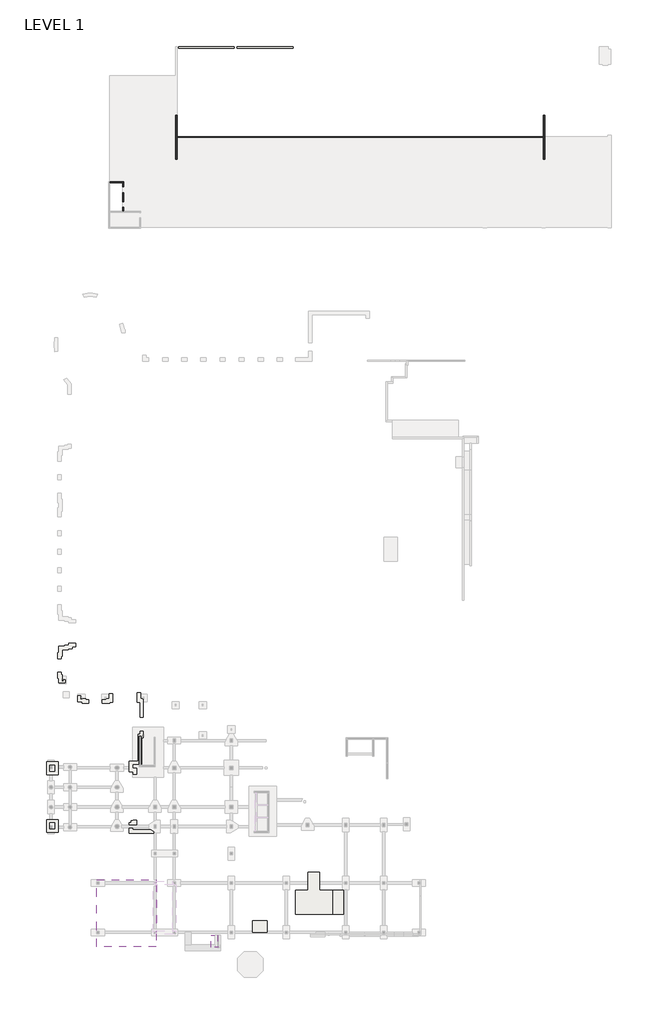
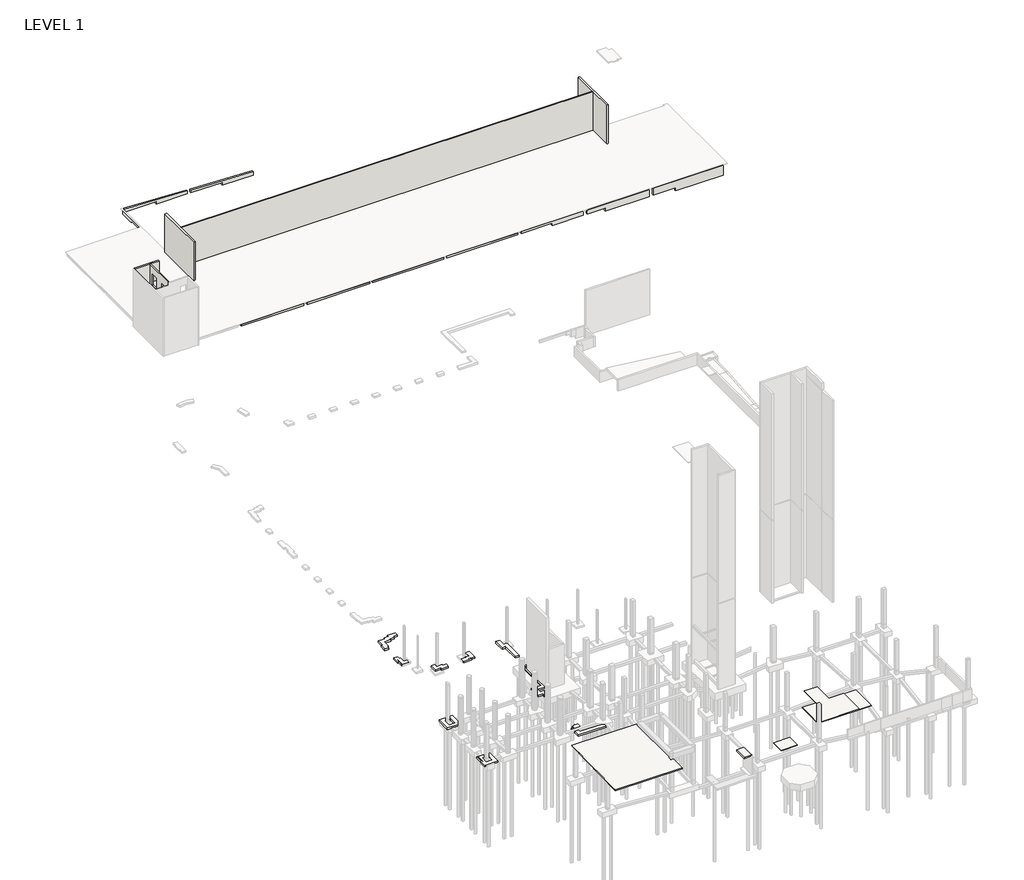
# One storey, part 2 of 20: 16 walls, 7 slabs.
"""IFC4 building model written with IfcOpenShell, lengths in millimetres."""

import ifcopenshell
import ifcopenshell.guid

model = None  # the IFC model being written
_history = None  # IfcOwnerHistory: only IFC2X3 demands one
_inside = {}  # id of a spatial element -> (the spatial element, [elements in it])
_under = {}  # id of a project, library or spatial element -> (it, [spatial elements below it])
_declared = {}  # id of a project -> (the project, [libraries it declares])
_typed = {}  # id of a type object -> (the type object, [elements of that type])
_made_of = {}  # id of a material, layer set ... -> (it, [elements and type objects made of it])


def new_model(schema):
    """Start an empty IFC model of exactly this schema.

    Asked for "IFC4X3", IfcOpenShell would pick the latest addendum, in which some entities
    have other attributes; the version numbers below select the first issue.
    IFC2X3 requires an IfcOwnerHistory on every rooted entity: one is made here for all.
    """
    global model, _history
    if schema == "IFC4X3":
        model = ifcopenshell.file(schema_version=(4, 3, 0, 0))
    else:
        model = ifcopenshell.file(schema=schema)
    _inside.clear()
    _under.clear()
    _declared.clear()
    _typed.clear()
    _made_of.clear()
    _history = None
    if model.schema == "IFC2X3":
        org = make("IfcOrganization", Name="unknown")
        user = make(
            "IfcPersonAndOrganization",
            ThePerson=make("IfcPerson", FamilyName="unknown"),
            TheOrganization=org,
        )
        app = make(
            "IfcApplication",
            ApplicationDeveloper=org,
            Version="unknown",
            ApplicationFullName="unknown",
            ApplicationIdentifier="unknown",
        )
        _history = make(
            "IfcOwnerHistory",
            OwningUser=user,
            OwningApplication=app,
            ChangeAction="ADDED",
            CreationDate=0,
        )
    return model


def make(cls, **values):
    """One entity of the class cls with the attributes given. An attribute that is None is left unset."""
    return model.create_entity(
        cls, **{name: value for name, value in values.items() if value is not None}
    )


def rooted(cls, **values):
    """An entity with a GlobalId (a new one), such as an element, a storey or a relation."""
    return make(cls, GlobalId=ifcopenshell.guid.new(), OwnerHistory=_history, **values)


def si_unit(unit_type, name, prefix=None):
    """IfcSIUnit, for example si_unit("LENGTHUNIT", "METRE", prefix="MILLI")."""
    return make("IfcSIUnit", UnitType=unit_type, Prefix=prefix, Name=name)


def assignment(units):
    """IfcUnitAssignment: the units of a project."""
    return None if units is None else make("IfcUnitAssignment", Units=units)


def point(xyz):
    """IfcCartesianPoint."""
    return None if xyz is None else make("IfcCartesianPoint", Coordinates=xyz)


def direction(xyz):
    """IfcDirection."""
    return None if xyz is None else make("IfcDirection", DirectionRatios=xyz)


def frame(location, z_axis=None, x_axis=None):
    """IfcAxis2Placement3D, a coordinate frame: its origin and axes. An axis left out is left unset."""
    return make(
        "IfcAxis2Placement3D",
        Location=point(location),
        Axis=direction(z_axis),
        RefDirection=direction(x_axis),
    )


def origin():
    """The frame at (0, 0, 0) with its axes left unset."""
    return frame((0.0, 0.0, 0.0))


def place(relative_to, where):
    """IfcLocalPlacement: puts the frame where relative to a parent placement (None: the world)."""
    return make(
        "IfcLocalPlacement", PlacementRelTo=relative_to, RelativePlacement=where
    )


def context(
    kind, dimensions, precision=None, world=None, true_north=None, identifier=None
):
    """IfcGeometricRepresentationContext, for example the 3D "Model" context."""
    return make(
        "IfcGeometricRepresentationContext",
        ContextIdentifier=identifier,
        ContextType=kind,
        CoordinateSpaceDimension=dimensions,
        Precision=precision,
        WorldCoordinateSystem=world,
        TrueNorth=true_north,
    )


def project(units=None, contexts=None):
    """IfcProject with its units and contexts."""
    return rooted(
        "IfcProject",
        Name="project",
        RepresentationContexts=contexts,
        UnitsInContext=assignment(units),
    )


def spatial(cls, under=None, at=None, **own):
    """A site, building, storey or space (cls), placed at a placement, below another one or the project."""
    s = rooted(cls, ObjectPlacement=at, **own)
    if under is not None:
        _under.setdefault(under.id(), (under, []))[1].append(s)
    return s


def polyline(points):
    """IfcPolyline through the points."""
    return make("IfcPolyline", Points=[point(p) for p in points])


def outline(outer, holes=None, kind="AREA"):
    """IfcArbitraryClosedProfileDef: a profile drawn as a closed curve; with holes, ...WithVoids."""
    if holes is None:
        return make("IfcArbitraryClosedProfileDef", ProfileType=kind, OuterCurve=outer)
    return make(
        "IfcArbitraryProfileDefWithVoids",
        ProfileType=kind,
        OuterCurve=outer,
        InnerCurves=holes,
    )


def extrude(swept, where, along, depth):
    """IfcExtrudedAreaSolid: the profile swept, set in the frame where, extruded along a direction by depth."""
    return make(
        "IfcExtrudedAreaSolid",
        SweptArea=swept,
        Position=where,
        ExtrudedDirection=direction(along),
        Depth=depth,
    )


def faces_of(points, faces, orient=None, outer=None):
    """IfcFace entities. A face is a list of loops; a loop is a list of indices into points, from 0.

    orient and outer hold one flag for each loop. By default every Orientation is true, the
    first loop of a face is its IfcFaceOuterBound and the others are IfcFaceBound.
    """
    made = []
    for i, loops in enumerate(faces):
        bounds = []
        for j, loop in enumerate(loops):
            is_outer = j == 0 if outer is None else outer[i][j]
            bounds.append(
                make(
                    "IfcFaceOuterBound" if is_outer else "IfcFaceBound",
                    Bound=make("IfcPolyLoop", Polygon=[points[k] for k in loop]),
                    Orientation=True if orient is None else orient[i][j],
                )
            )
        made.append(make("IfcFace", Bounds=bounds))
    return made


def faceted_brep(points, faces, orient=None, outer=None, voids=None):
    """IfcFacetedBrep: a solid bounded by flat faces; with voids (closed shells), ...WithVoids."""
    shared = [point(p) for p in points]
    hull = make("IfcClosedShell", CfsFaces=faces_of(shared, faces, orient, outer))
    if voids is None:
        return make("IfcFacetedBrep", Outer=hull)
    return make(
        "IfcFacetedBrepWithVoids",
        Outer=hull,
        Voids=[
            make(cls, CfsFaces=faces_of(shared, fs, o, b)) for cls, fs, o, b in voids
        ],
    )


def shape(context_of_items, identifier, shape_type, items):
    """IfcShapeRepresentation: the items that make up one representation, for example the "Body"."""
    return make(
        "IfcShapeRepresentation",
        ContextOfItems=context_of_items,
        RepresentationIdentifier=identifier,
        RepresentationType=shape_type,
        Items=items,
    )


def made_of(thing, what):
    """Note that an element or type object is made of a material, layer set ...; save() writes the relation."""
    if what is not None:
        _made_of.setdefault(what.id(), (what, []))[1].append(thing)
    return thing


def element(
    cls,
    number,
    at=None,
    inside=None,
    cuts=None,
    type_object=None,
    material=None,
    context=None,
    identifier="Body",
    shape_type=None,
    held_by="IfcProductDefinitionShape",
    body=None,
    shapes=None,
    **own,
):
    """One element of the class cls, such as IfcWall. Its Tag is "e" and its number.

    at: its placement. inside: the storey or other place that contains it. cuts: it is an
    opening in that element (IfcRelVoidsElement). A single representation is given by context,
    identifier, shape_type and body (its items); several are given by shapes. held_by: the class
    of the entity that holds the representations. save() writes the other relations.
    """
    e = rooted(cls, Tag="e%d" % number, ObjectPlacement=at, **own)
    if body is not None:
        shapes = [shape(context, identifier, shape_type, body)]
    if shapes is not None:
        e.Representation = make(held_by, Representations=shapes)
    if inside is not None:
        _inside.setdefault(inside.id(), (inside, []))[1].append(e)
    if cuts is not None:
        rooted(
            "IfcRelVoidsElement", RelatingBuildingElement=cuts, RelatedOpeningElement=e
        )
    if type_object is not None:
        _typed.setdefault(type_object.id(), (type_object, []))[1].append(e)
    return made_of(e, material)


def aggregate(whole, parts):
    """IfcRelAggregates: a whole, such as a stair, and the parts it consists of."""
    return rooted("IfcRelAggregates", RelatingObject=whole, RelatedObjects=parts)


def save(model, path):
    """Write the relations noted so far, then the file.

    IfcRelAggregates (storeys below a building ...), IfcRelContainedInSpatialStructure (elements
    in a storey), IfcRelDefinesByType, IfcRelAssociatesMaterial and IfcRelDeclares: one each for
    every whole, place, type object, material and project.
    """
    for whole, parts in _under.values():
        aggregate(whole, parts)
    for where, things in _inside.values():
        rooted(
            "IfcRelContainedInSpatialStructure",
            RelatedElements=things,
            RelatingStructure=where,
        )
    for kind, things in _typed.values():
        rooted("IfcRelDefinesByType", RelatedObjects=things, RelatingType=kind)
    for what, things in _made_of.values():
        rooted("IfcRelAssociatesMaterial", RelatedObjects=things, RelatingMaterial=what)
    for by, libraries in _declared.values():
        rooted("IfcRelDeclares", RelatingContext=by, RelatedDefinitions=libraries)
    model.write(path)


model = new_model("IFC4")

# Units and contexts
model_context = context("Model", 3, world=origin())
ifc_project = project(units=[si_unit("LENGTHUNIT", "METRE", prefix="MILLI")], contexts=[model_context])

# Site, building, storey
site = spatial("IfcSite", under=ifc_project)
building = spatial("IfcBuilding", under=site)
storey = spatial("IfcBuildingStorey", under=building, Name="LEVEL 1", Elevation=0.0)

# Slabs
placement = place(None, origin())
element("IfcSlab", 1, ObjectType="10\" Concrete", at=placement, inside=storey, context=model_context, shape_type="Brep", body=[
    faceted_brep([(20552.6924811, -58530.0704906, 3124.2), (20552.6924811, -56088.5107149, 3124.2), (21882.2910965, -56088.5107149, 3124.2), (21882.2910965, -58520.5454906, 3124.2), (22000.4924811, -58520.5454906, 3124.2), (22000.4924811, -58530.0704906, 3124.2), (20552.6924811, -56088.5107149, 3378.2), (20552.6924811, -58530.0704906, 3378.2), (22000.4924811, -58530.0704906, 3378.2), (22000.4924811, -58520.5454906, 3378.2), (21863.2410965, -58520.5454906, 3378.2), (21863.2410965, -56088.5107149, 3378.2), (21882.2910965, -56088.5107149, 3200.4), (21882.2910965, -58520.5454906, 3200.4)], [[[0, 1, 2, 3, 4, 5]], [[6, 7, 8, 9, 10, 11]], [[1, 0, 7, 6]], [[1, 6, 11, 12, 2]], [[8, 5, 4, 9]], [[0, 5, 8, 7]], [[10, 13, 12, 11]], [[12, 13, 3, 2]], [[13, 10, 9, 4, 3]]]),
])
element("IfcSlab", 2, ObjectType="12\" Concrete", at=placement, inside=storey, context=model_context, shape_type="Brep", body=[
    faceted_brep([(8633.3389942, -34180.9810305, -914.4), (8633.3389942, -34892.1810305, -914.4), (3489.8389942, -34892.1810305, -914.4), (3489.8389942, -32656.9810305, -914.4), (3910.6232786, -32656.9810305, -914.4), (3910.6232786, -32263.4083235, -914.4), (4302.6389942, -32263.4083235, -914.4), (4302.6389942, -32148.9810305, -914.4), (5013.8389942, -32148.9810305, -914.4), (5013.8389942, -33368.1810305, -914.4), (4201.0389942, -33368.1810305, -914.4), (4201.0389942, -34180.9810305, -914.4), (8633.3389942, -34180.9810305, -609.6), (4201.0389942, -34180.9810305, -609.6), (4201.0389942, -33711.1107149, -609.6), (4201.0389942, -33368.1810305, -609.6), (5013.8389942, -33368.1810305, -609.6), (5013.8389942, -33253.9107149, -609.6), (5013.8389942, -32148.9810305, -609.6), (4302.6389942, -32148.9810305, -609.6), (4302.6389942, -32263.4083235, -609.6), (3910.6232786, -32263.4083235, -609.6), (3910.6232786, -32656.9810305, -609.6), (3489.8389942, -32656.9810305, -609.6), (3489.8389942, -33253.9107149, -609.6), (3489.8389942, -33711.1107149, -609.6), (3489.8389942, -34892.1810305, -609.6), (8633.3389942, -34892.1810305, -609.6), (4201.0389942, -33368.1810305, -830.2694562), (5013.8389942, -33368.1810305, -813.4886495)], [[[0, 1, 2, 3, 4, 5, 6, 7, 8, 9, 10, 11]], [[12, 13, 14, 15, 16, 17, 18, 19, 20, 21, 22, 23, 24, 25, 26, 27]], [[1, 0, 12, 27]], [[2, 1, 27, 26]], [[3, 2, 26, 25, 24, 23]], [[8, 7, 19, 18]], [[11, 10, 28, 15, 14, 13]], [[0, 11, 13, 12]], [[4, 3, 23, 22]], [[5, 4, 22, 21]], [[6, 5, 21, 20]], [[7, 6, 20, 19]], [[9, 8, 18, 17, 16, 29]], [[10, 9, 29, 16, 15, 28]]]),
    faceted_brep([(4302.6389942, -22116.0403994, -914.4), (3489.8389942, -22116.0403994, -914.4), (3489.8389942, -21519.1107149, -914.4), (3489.8389942, -21061.9107149, -914.4), (3489.8389942, -19880.8403994, -914.4), (5318.6389942, -19880.8403994, -914.4), (5318.6389942, -14286.4607149, -914.4), (5725.0389942, -14286.4607149, -914.4), (5725.0389942, -13683.2107149, -914.4), (6436.2389942, -13683.2107149, -914.4), (6436.2389942, -14997.6607149, -914.4), (6029.8389942, -14997.6607149, -914.4), (6029.8389942, -20592.0403994, -914.4), (4201.0389942, -20592.0403994, -914.4), (4201.0389942, -21404.8403994, -914.4), (5013.8389942, -21404.8403994, -914.4), (5013.8389942, -22623.9810305, -914.4), (4302.6389942, -22623.9810305, -914.4), (4302.6389942, -22116.0403994, -609.6), (4302.6389942, -22623.9810305, -609.6), (5013.8389942, -22623.9810305, -609.6), (5013.8389942, -21404.8403994, -609.6), (4201.0389942, -21404.8403994, -609.6), (4201.0389942, -20592.0403994, -609.6), (6029.8389942, -20592.0403994, -609.6), (6029.8389942, -14997.6607149, -609.6), (6436.2389942, -14997.6607149, -609.6), (6436.2389942, -13683.2107149, -609.6), (5725.0389942, -13683.2107149, -609.6), (5725.0389942, -14286.4607149, -609.6), (5318.6389942, -14286.4607149, -609.6), (5318.6389942, -19880.8403994, -609.6), (3489.8389942, -19880.8403994, -609.6), (3489.8389942, -22116.0403994, -609.6)], [[[0, 1, 2, 3, 4, 5, 6, 7, 8, 9, 10, 11, 12, 13, 14, 15, 16, 17]], [[18, 19, 20, 21, 22, 23, 24, 25, 26, 27, 28, 29, 30, 31, 32, 33]], [[1, 0, 18, 33]], [[4, 3, 2, 1, 33, 32]], [[5, 4, 32, 31]], [[6, 5, 31, 30]], [[7, 6, 30, 29]], [[8, 7, 29, 28]], [[9, 8, 28, 27]], [[10, 9, 27, 26]], [[11, 10, 26, 25]], [[12, 11, 25, 24]], [[13, 12, 24, 23]], [[14, 13, 23, 22]], [[15, 14, 22, 21]], [[16, 15, 21, 20]], [[17, 16, 20, 19]], [[0, 17, 19, 18]]]),
    faceted_brep([(-2098.1610058, -7828.4735059, -914.4), (-2098.1610058, -7117.2735059, -914.4), (-1285.3610058, -7117.2735059, -914.4), (-1285.3610058, -6914.0735059, -914.4), (-675.7610058, -6914.0735059, -914.4), (-675.7610058, -5929.8235059, -914.4), (35.4389942, -5929.8235059, -914.4), (35.4389942, -7625.2735059, -914.4), (-574.1610058, -7625.2735059, -914.4), (-574.1610058, -7828.4735059, -914.4), (-2098.1610058, -7828.4735059, -609.6), (-574.1610058, -7828.4735059, -609.6), (-574.1610058, -7625.2735059, -609.6), (35.4389942, -7625.2735059, -609.6), (35.4389942, -5929.8235059, -609.6), (-675.7610058, -5929.8235059, -609.6), (-675.7610058, -6914.0735059, -609.6), (-1285.3610058, -6914.0735059, -609.6), (-1285.3610058, -7117.2735059, -609.6), (-2098.1610058, -7117.2735059, -609.6)], [[[0, 1, 2, 3, 4, 5, 6, 7, 8, 9]], [[10, 11, 12, 13, 14, 15, 16, 17, 18, 19]], [[1, 0, 10, 19]], [[2, 1, 19, 18]], [[0, 9, 11, 10]], [[3, 2, 18, 17]], [[4, 3, 17, 16]], [[5, 4, 16, 15]], [[6, 5, 15, 14]], [[7, 6, 14, 13]], [[8, 7, 13, 12]], [[9, 8, 12, 11]]]),
    faceted_brep([(-4942.9610058, -7828.5259393, -914.4), (-6253.1246506, -7828.5259393, -914.4), (-6253.1246506, -7612.6259393, -914.4), (-7269.1246506, -7612.6259393, -914.4), (-7269.1246506, -6342.5824121, -914.4), (-6557.9246506, -6342.5824121, -914.4), (-6557.9246506, -6901.4259393, -914.4), (-5541.9246506, -6901.4259393, -914.4), (-5541.9246506, -7117.3259393, -914.4), (-4942.9610058, -7117.3259393, -914.4), (-4942.9610058, -7828.5259393, -609.6), (-4942.9610058, -7117.3259393, -609.6), (-5541.9246506, -7117.3259393, -609.6), (-5541.9246506, -6901.4259393, -609.6), (-6557.9246506, -6901.4259393, -609.6), (-6557.9246506, -6342.5824121, -609.6), (-7269.1246506, -6342.5824121, -609.6), (-7269.1246506, -7612.6259393, -609.6), (-6253.1246506, -7612.6259393, -609.6), (-6253.1246506, -7828.5259393, -609.6)], [[[0, 1, 2, 3, 4, 5, 6, 7, 8, 9]], [[10, 11, 12, 13, 14, 15, 16, 17, 18, 19]], [[1, 0, 10, 19]], [[2, 1, 19, 18]], [[3, 2, 18, 17]], [[4, 3, 17, 16]], [[5, 4, 16, 15]], [[6, 5, 15, 14]], [[7, 6, 14, 13]], [[8, 7, 13, 12]], [[9, 8, 12, 11]], [[0, 9, 11, 10]]]),
    faceted_brep([(-11140.5610058, -3662.9631483, -914.4), (-11140.5610058, -2646.9631483, -914.4), (-11343.7610058, -2646.9631483, -914.4), (-11343.7610058, -1427.7107149, -914.4), (-10632.5610058, -1427.7107149, -914.4), (-10632.5610058, -1935.7631483, -914.4), (-10429.3610058, -1935.7631483, -914.4), (-10429.3610058, -2951.7631483, -914.4), (-9857.8610058, -2951.7631483, -914.4), (-9857.8610058, -3662.9631483, -914.4), (-11140.5610058, -3662.9631483, -609.6), (-9857.8610058, -3662.9631483, -609.6), (-9857.8610058, -2951.7631483, -609.6), (-10429.3610058, -2951.7631483, -609.6), (-10429.3610058, -1935.7631483, -609.6), (-10632.5610058, -1935.7631483, -609.6), (-10632.5610058, -1427.7107149, -609.6), (-11343.7610058, -1427.7107149, -609.6), (-11343.7610058, -2646.9631483, -609.6), (-11140.5610058, -2646.9631483, -609.6)], [[[0, 1, 2, 3, 4, 5, 6, 7, 8, 9]], [[10, 11, 12, 13, 14, 15, 16, 17, 18, 19]], [[1, 0, 10, 19]], [[2, 1, 19, 18]], [[3, 2, 18, 17]], [[5, 4, 16, 15]], [[6, 5, 15, 14]], [[7, 6, 14, 13]], [[8, 7, 13, 12]], [[9, 8, 12, 11]], [[0, 9, 11, 10]], [[4, 3, 17, 16]]]),
    faceted_brep([(-11140.5610058, 2636.2368517, -914.4), (-11140.5610058, 3957.0368517, -914.4), (-9921.3610058, 3957.0368517, -914.4), (-9921.3610058, 4160.2368517, -914.4), (-9108.5610058, 4160.2368517, -914.4), (-9108.5610058, 4541.2892851, -914.4), (-7660.7610058, 4541.2892851, -914.4), (-7660.7610058, 3830.0892851, -914.4), (-8397.3610058, 3830.0892851, -914.4), (-8397.3610058, 3449.0368517, -914.4), (-9210.1610058, 3449.0368517, -914.4), (-9210.1610058, 3245.8368517, -914.4), (-10429.3610058, 3245.8368517, -914.4), (-10429.3610058, 1925.0368517, -914.4), (-10632.5610058, 1925.0368517, -914.4), (-10632.5610058, 1417.0892851, -914.4), (-11343.7610058, 1417.0892851, -914.4), (-11343.7610058, 2636.2368517, -914.4), (-11140.5610058, 2636.2368517, -609.6), (-11343.7610058, 2636.2368517, -609.6), (-11343.7610058, 1417.0892851, -609.6), (-10632.5610058, 1417.0892851, -609.6), (-10632.5610058, 1925.0368517, -609.6), (-10429.3610058, 1925.0368517, -609.6), (-10429.3610058, 3245.8368517, -609.6), (-9210.1610058, 3245.8368517, -609.6), (-9210.1610058, 3449.0368517, -609.6), (-8397.3610058, 3449.0368517, -609.6), (-8397.3610058, 3830.0892851, -609.6), (-7660.7610058, 3830.0892851, -609.6), (-7660.7610058, 4541.2892851, -609.6), (-9108.5610058, 4541.2892851, -609.6), (-9108.5610058, 4160.2368517, -609.6), (-9921.3610058, 4160.2368517, -609.6), (-9921.3610058, 3957.0368517, -609.6), (-11140.5610058, 3957.0368517, -609.6)], [[[0, 1, 2, 3, 4, 5, 6, 7, 8, 9, 10, 11, 12, 13, 14, 15, 16, 17]], [[18, 19, 20, 21, 22, 23, 24, 25, 26, 27, 28, 29, 30, 31, 32, 33, 34, 35]], [[0, 17, 19, 18]], [[1, 0, 18, 35]], [[2, 1, 35, 34]], [[3, 2, 34, 33]], [[4, 3, 33, 32]], [[9, 8, 28, 27]], [[10, 9, 27, 26]], [[11, 10, 26, 25]], [[12, 11, 25, 24]], [[13, 12, 24, 23]], [[14, 13, 23, 22]], [[5, 4, 32, 31]], [[6, 5, 31, 30]], [[7, 6, 30, 29]], [[8, 7, 29, 28]], [[15, 14, 22, 21]], [[16, 15, 21, 20]], [[17, 16, 20, 19]]]),
    faceted_brep([(5115.4389942, -5669.4735059, -914.4), (5826.6389942, -5669.4735059, -914.4), (5826.6389942, -6914.0735059, -914.4), (6436.2389942, -6914.0735059, -914.4), (6436.2389942, -10838.4107149, -914.4), (5725.0389942, -10838.4107149, -914.4), (5725.0389942, -7625.2735059, -914.4), (5115.4389942, -7625.2735059, -914.4), (5115.4389942, -5669.4735059, -609.6), (5115.4389942, -7625.2735059, -609.6), (5725.0389942, -7625.2735059, -609.6), (5725.0389942, -10838.4107149, -609.6), (6436.2389942, -10838.4107149, -609.6), (6436.2389942, -6914.0735059, -609.6), (5826.6389942, -6914.0735059, -609.6), (5826.6389942, -5669.4735059, -609.6)], [[[0, 1, 2, 3, 4, 5, 6, 7]], [[8, 9, 10, 11, 12, 13, 14, 15]], [[1, 0, 8, 15]], [[2, 1, 15, 14]], [[3, 2, 14, 13]], [[4, 3, 13, 12]], [[5, 4, 12, 11]], [[6, 5, 11, 10]], [[7, 6, 10, 9]], [[0, 7, 9, 8]]]),
])
element("IfcSlab", 3, ObjectType="12\" Concrete", at=placement, inside=storey, context=model_context, shape_type="Brep", body=[
    faceted_brep([(-13705.9610058, -34688.9810305, -914.4), (-13705.9610058, -32047.3810305, -914.4), (-12994.7610058, -32047.3810305, -914.4), (-12537.5610058, -32047.3810305, -914.4), (-11267.5610058, -32047.3810305, -914.4), (-11267.5610058, -34688.9810305, -914.4), (-12994.7610058, -32758.5810305, -914.4), (-12994.7610058, -33977.7810305, -914.4), (-11978.7610058, -33977.7810305, -914.4), (-11978.7610058, -32758.5810305, -914.4), (-13705.9610058, -34688.9810305, -609.6), (-11267.5610058, -34688.9810305, -609.6), (-11267.5610058, -32047.3810305, -609.6), (-12537.5610058, -32047.3810305, -609.6), (-12994.7610058, -32047.3810305, -609.6), (-13705.9610058, -32047.3810305, -609.6), (-12994.7610058, -32758.5810305, -609.6), (-11978.7610058, -32758.5810305, -609.6), (-11978.7610058, -33977.7810305, -609.6), (-12994.7610058, -33977.7810305, -609.6)], [[[0, 1, 2, 3, 4, 5], [6, 7, 8, 9]], [[10, 11, 12, 13, 14, 15], [16, 17, 18, 19]], [[1, 0, 10, 15]], [[4, 3, 2, 1, 15, 14, 13, 12]], [[5, 4, 12, 11]], [[0, 5, 11, 10]], [[7, 6, 16, 19]], [[8, 7, 19, 18]], [[9, 8, 18, 17]], [[6, 9, 17, 16]]]),
    faceted_brep([(-13705.9610058, -22725.6403994, -914.4), (-13705.9610058, -20084.0403994, -914.4), (-11267.5610058, -20084.0403994, -914.4), (-11267.5610058, -20909.5107149, -914.4), (-11267.5610058, -21366.7107149, -914.4), (-11267.5610058, -22725.6403994, -914.4), (-12537.5610058, -22725.6403994, -914.4), (-12994.7610058, -22725.6403994, -914.4), (-12994.7610058, -20795.2403994, -914.4), (-12994.7610058, -22014.4403994, -914.4), (-11978.7610058, -22014.4403994, -914.4), (-11978.7610058, -21366.7107149, -914.4), (-11978.7610058, -20909.5107149, -914.4), (-11978.7610058, -20795.2403994, -914.4), (-13705.9610058, -22725.6403994, -609.6), (-11267.5610058, -22725.6403994, -609.6), (-11267.5610058, -20084.0403994, -609.6), (-13705.9610058, -20084.0403994, -609.6), (-12994.7610058, -20795.2403994, -609.6), (-11978.7610058, -20795.2403994, -609.6), (-11978.7610058, -22014.4403994, -609.6), (-12994.7610058, -22014.4403994, -609.6)], [[[0, 1, 2, 3, 4, 5, 6, 7], [8, 9, 10, 11, 12, 13]], [[14, 15, 16, 17], [18, 19, 20, 21]], [[1, 0, 14, 17]], [[2, 1, 17, 16]], [[5, 4, 3, 2, 16, 15]], [[0, 7, 6, 5, 15, 14]], [[9, 8, 18, 21]], [[10, 9, 21, 20]], [[13, 12, 11, 10, 20, 19]], [[8, 13, 19, 18]]]),
])
element("IfcSlab", 4, ObjectType="5\" Concrete", at=placement, inside=storey, context=model_context, shape_type="Brep", body=[
    faceted_brep([(-3266.5610058, -58520.5454906, 5181.5726032), (-3266.5610058, -44582.2954906, 5471.1035777), (9077.8389942, -44582.2954906, 5471.1035777), (9077.8389942, -44963.3107149, 5463.1889751), (9077.8389942, -45471.3107149, 5452.6365934), (9077.8389942, -55224.9107149, 5250.0308636), (9077.8389942, -55732.9107149, 5239.4784818), (9077.8389942, -58520.5454906, 5181.5726032), (-3266.5610058, -58520.5454906, 5308.6), (9077.8389942, -58520.5454906, 5308.6), (9077.8389942, -55732.9107149, 5366.5058787), (9077.8389942, -55224.9107149, 5377.0582604), (9077.8389942, -45471.3107149, 5579.6639902), (9077.8389942, -44963.3107149, 5590.216372), (9077.8389942, -44582.2954906, 5598.1309745), (-3266.5610058, -44582.2954906, 5598.1309745)], [[[0, 1, 2, 3, 4, 5, 6, 7]], [[8, 9, 10, 11, 12, 13, 14, 15]], [[1, 0, 8, 15]], [[2, 1, 15, 14]], [[7, 6, 5, 4, 3, 2, 14, 13, 12, 11, 10, 9]], [[0, 7, 9, 8]]]),
])
element("IfcSlab", 5, ObjectType="5\" slab", at=placement, inside=storey, context=model_context, shape_type="SweptSolid", body=[
    extrude(outline(polyline([(40682.2630266, -46766.7107149), (40682.2630266, -42956.6954906), (43044.4630266, -42956.6954906), (43044.4630266, -46766.7107149), (45780.8389942, -46766.7107149), (45780.8389942, -51745.1107149), (38084.6389942, -51745.1107149), (38084.6389942, -46766.7107149), (40682.2630266, -46766.7107149)])), frame((0.0, 0.0, -228.6), z_axis=(0.0, 0.0, 1.0), x_axis=(1.0, 0.0, 0.0)), (0.0, 0.0, 1.0), 127.0),
])
element("IfcSlab", 6, ObjectType="5\" slab", at=placement, inside=storey, context=model_context, shape_type="SweptSolid", body=[
    extrude(outline(polyline([(29185.3012967, -53091.3107149), (32139.6471386, -53091.3107149), (32139.6471386, -55453.5107149), (29185.3012967, -55453.5107149), (29185.3012967, -53091.3107149)])), frame((0.0, 0.0, -228.6), z_axis=(0.0, 0.0, 1.0), x_axis=(1.0, 0.0, 0.0)), (0.0, 0.0, 1.0), 127.0),
])
element("IfcSlab", 7, ObjectType="5\" slab", at=placement, inside=storey, context=model_context, shape_type="SweptSolid", body=[
    extrude(outline(polyline([(45780.8389942, -51745.1107149), (45780.8389942, -46766.7107149), (48041.4389942, -46766.7107149), (48041.4389942, -51745.1107149), (45780.8389942, -51745.1107149)])), frame((0.0, 0.0, -279.4), z_axis=(0.0, 0.0, 1.0), x_axis=(1.0, 0.0, 0.0)), (0.0, 0.0, 1.0), 127.0),
])

# Walls
element("IfcWall", 8, ObjectType="12\" Concrete", at=placement, inside=storey, context=model_context, shape_type="SweptSolid", body=[
    extrude(outline(polyline([(-2133.6, 102981.6389942), (-127.0, 102981.6389942), (-127.0, 90027.6389942), (-1524.0, 90027.6389942), (-1524.0, 94218.6389942), (-2133.6, 94218.6389942), (-2133.6, 102981.6389942)])), frame((0.0, 90977.4740607, 0.0), z_axis=(0.0, 1.0, 0.0), x_axis=(0.0, 0.0, 1.0)), (0.0, 0.0, 1.0), 304.8),
])
element("IfcWall", 9, ObjectType="12\" Concrete", at=placement, inside=storey, context=model_context, shape_type="SweptSolid", body=[
    extrude(outline(polyline([(-1524.0, 89265.6389942), (-127.0, 89265.6389942), (-127.0, 77835.6389942), (-914.4, 77835.6389942), (-914.4, 81112.2389942), (-1524.0, 81112.2389942), (-1524.0, 89265.6389942)])), frame((0.0, 90977.4740607, 0.0), z_axis=(0.0, 1.0, 0.0), x_axis=(0.0, 0.0, 1.0)), (0.0, 0.0, 1.0), 304.8),
])
element("IfcWall", 10, ObjectType="12\" Concrete", at=placement, inside=storey, context=model_context, shape_type="Brep", body=[
    faceted_brep([(51241.8389942, 91282.2740607, -457.2), (38135.4389942, 91282.2740607, -457.2), (38135.4389942, 91282.2740607, -127.0), (51241.8389942, 91282.2740607, -127.0), (51241.8389942, 90977.4740607, -457.2), (51241.8389942, 90977.4740607, -127.0), (51165.6389942, 90977.4740607, -127.0), (38135.4389942, 90977.4740607, -127.0), (38135.4389942, 90977.4740607, -457.2)], [[[0, 1, 2, 3]], [[4, 5, 6, 7, 8]], [[3, 2, 7, 6, 5]], [[1, 0, 4, 8]], [[2, 1, 8, 7]], [[0, 3, 5, 4]]]),
])
element("IfcWall", 11, ObjectType="12\" Concrete", at=placement, inside=storey, context=model_context, shape_type="SweptSolid", body=[
    extrude(outline(polyline([(-1778.0, 31734.6389942), (-1778.0, 37525.8389942), (-1154.4947457, 37525.8389942), (-660.3123457, 25943.4389942), (-1219.2, 25943.4389942), (-1219.2, 31734.6389942), (-1778.0, 31734.6389942)])), frame((0.0, 128264.6740607, 0.0), z_axis=(0.0, 1.0, 0.0), x_axis=(0.0, 0.0, 1.0)), (0.0, 0.0, 1.0), 304.8),
])
element("IfcWall", 12, ObjectType="12\" Concrete", at=placement, inside=storey, context=model_context, shape_type="SweptSolid", body=[
    extrude(outline(polyline([(-1219.2, 19542.6389942), (-1219.2, 25333.8389942), (-634.3027457, 25333.8389942), (-140.1203457, 13751.4389942), (-762.0, 13751.4389942), (-762.0, 19542.6389942), (-1219.2, 19542.6389942)])), frame((0.0, 128264.6740607, 0.0), z_axis=(0.0, 1.0, 0.0), x_axis=(0.0, 0.0, 1.0)), (0.0, 0.0, 1.0), 304.8),
])
element("IfcWall", 13, ObjectType="12\" Concrete", at=placement, inside=storey, context=model_context, shape_type="SweptSolid", body=[
    extrude(outline(polyline([(25333.8389942, 90977.4740607), (13751.4389942, 90977.4740607), (13751.4389942, 91282.2740607), (25333.8389942, 91282.2740607), (25333.8389942, 90977.4740607)])), frame((0.0, 0.0, -457.2), z_axis=(0.0, 0.0, 1.0), x_axis=(1.0, 0.0, 0.0)), (0.0, 0.0, 1.0), 330.2),
])
element("IfcWall", 14, ObjectType="12\" Concrete", at=placement, inside=storey, context=model_context, shape_type="SweptSolid", body=[
    extrude(outline(polyline([(37525.8389942, 90977.4740607), (25943.4389942, 90977.4740607), (25943.4389942, 91282.2740607), (37525.8389942, 91282.2740607), (37525.8389942, 90977.4740607)])), frame((0.0, 0.0, -457.2), z_axis=(0.0, 0.0, 1.0), x_axis=(1.0, 0.0, 0.0)), (0.0, 0.0, 1.0), 330.2),
])
element("IfcWall", 15, ObjectType="12\" Concrete", at=placement, inside=storey, context=model_context, shape_type="SweptSolid", body=[
    extrude(outline(polyline([(13141.8389942, 122168.7264941), (35.4389942, 122168.7264941), (35.4389942, 122473.5264941), (13141.8389942, 122473.5264941), (13141.8389942, 122168.7264941)])), frame((0.0, 0.0, -457.2), z_axis=(0.0, 0.0, 1.0), x_axis=(1.0, 0.0, 0.0)), (0.0, 0.0, 1.0), 330.2),
])
element("IfcWall", 16, ObjectType="12\" Concrete", at=placement, inside=storey, context=model_context, shape_type="Brep", body=[
    faceted_brep([(13141.8389942, 125216.6740607, -457.2), (13141.8389942, 122473.5264941, -457.2), (13141.8389942, 122168.7264941, -457.2), (13141.8389942, 122168.7264941, -127.0), (13141.8389942, 122473.4740607, -127.0), (13141.8389942, 127959.8740607, -127.0), (13141.8389942, 127959.8740607, -762.0), (13141.8389942, 125216.6740607, -762.0), (13446.6389942, 122168.7264941, -457.2), (13446.6389942, 125216.6740607, -457.2), (13446.6389942, 125216.6740607, -762.0), (13446.6389942, 127959.8740607, -762.0), (13446.6389942, 127959.8740607, -127.0), (13446.6389942, 122168.7264941, -127.0)], [[[0, 1, 2, 3, 4, 5, 6, 7]], [[8, 9, 10, 11, 12, 13]], [[4, 3, 13, 12, 5]], [[2, 8, 13, 3]], [[2, 1, 0, 9, 8]], [[11, 6, 5, 12]], [[7, 6, 11, 10]], [[0, 7, 10, 9]]]),
])
element("IfcWall", 17, ObjectType="12\" Concrete", at=placement, inside=storey, context=model_context, shape_type="SweptSolid", body=[
    extrude(outline(polyline([(51851.4389942, 91282.2740607), (64957.8389942, 91282.2740607), (64957.8389942, 90977.4740607), (51851.4389942, 90977.4740607), (51851.4389942, 91282.2740607)])), frame((0.0, 0.0, -457.2), z_axis=(0.0, 0.0, 1.0), x_axis=(1.0, 0.0, 0.0)), (0.0, 0.0, 1.0), 330.2),
])
element("IfcWall", 18, ObjectType="12\" Concrete", at=placement, inside=storey, context=model_context, shape_type="SweptSolid", body=[
    extrude(outline(polyline([(-914.4, 77073.6389942), (-127.0, 77073.6389942), (-127.0, 65567.4389942), (-457.2, 65567.4389942), (-457.2, 71358.6389942), (-914.4, 71358.6389942), (-914.4, 77073.6389942)])), frame((0.0, 90977.4740607, 0.0), z_axis=(0.0, 1.0, 0.0), x_axis=(0.0, 0.0, 1.0)), (0.0, 0.0, 1.0), 304.8),
])
element("IfcWall", 19, ObjectType="Precast - 12\" Concrete", at=placement, inside=storey, context=model_context, shape_type="Brep", body=[
    faceted_brep([(13446.6389942, 105201.4740607, -609.6), (13446.6389942, 109671.8740607, -609.6), (13446.6389942, 109875.0740607, -609.6), (13446.6389942, 114345.4740607, -609.6), (13446.6389942, 114345.4740607, 7569.2), (13446.6389942, 109875.0740607, 7569.2), (13446.6389942, 109671.8740607, 7569.2), (13446.6389942, 105201.4740607, 7569.2), (13141.8389942, 105201.4740607, -609.6), (13141.8389942, 105201.4740607, 7569.2), (13141.8389942, 114345.4740607, 7569.2), (13141.8389942, 114345.4740607, -609.6)], [[[0, 1, 2, 3, 4, 5, 6, 7]], [[8, 9, 10, 11]], [[3, 2, 1, 0, 8, 11]], [[4, 3, 11, 10]], [[7, 6, 5, 4, 10, 9]], [[0, 7, 9, 8]]]),
])
element("IfcWall", 20, ObjectType="Precast - 12\" Concrete", at=placement, inside=storey, context=model_context, shape_type="Brep", body=[
    faceted_brep([(89951.4389942, 105201.4740607, -609.6), (89951.4389942, 114345.4740607, -609.6), (89951.4389942, 114345.4740607, 7569.2), (89951.4389942, 105201.4740607, 7569.2), (89646.6389942, 105201.4740607, -609.6), (89646.6389942, 105201.4740607, 7569.2), (89646.6389942, 109671.8740607, 7569.2), (89646.6389942, 109875.0740607, 7569.2), (89646.6389942, 114345.4740607, 7569.2), (89646.6389942, 114345.4740607, -609.6), (89646.6389942, 109875.0740607, -609.6), (89646.6389942, 109671.8740607, -609.6)], [[[0, 1, 2, 3]], [[4, 5, 6, 7, 8, 9, 10, 11]], [[1, 0, 4, 11, 10, 9]], [[2, 1, 9, 8]], [[3, 2, 8, 7, 6, 5]], [[0, 3, 5, 4]]]),
])
element("IfcWall", 21, ObjectType="Precast - 8\" Concrete", at=placement, inside=storey, context=model_context, shape_type="SweptSolid", body=[
    extrude(outline(polyline([(89646.6389942, 109671.8740607), (13446.6389942, 109671.8740607), (13446.6389942, 109875.0740607), (89646.6389942, 109875.0740607), (89646.6389942, 109671.8740607)])), frame((0.0, 0.0, -609.6), z_axis=(0.0, 0.0, 1.0), x_axis=(1.0, 0.0, 0.0)), (0.0, 0.0, 1.0), 8178.8),
])
element("IfcWall", 22, ObjectType="Precast - 8\" Concrete", at=placement, inside=storey, context=model_context, shape_type="Brep", body=[
    faceted_brep([(-574.1610058, 100223.0740607, 10160.0), (-574.1610058, 100223.0740607, -1219.2), (2169.0389942, 100223.0740607, -1219.2), (2372.2389942, 100223.0740607, -1219.2), (2372.2389942, 100223.0740607, 6502.4), (3896.2389942, 100223.0740607, 6502.4), (3896.2389942, 100223.0740607, 10160.0), (2372.2389942, 100223.0740607, 10160.0), (2169.0389942, 100223.0740607, 10160.0), (-574.1610058, 100426.2740607, -1219.2), (-574.1610058, 100426.2740607, -457.2), (-574.1610058, 100426.2740607, -127.0), (-574.1610058, 100426.2740607, 10160.0), (3896.2389942, 100426.2740607, 10160.0), (3896.2389942, 100426.2740607, 6502.4), (2372.2389942, 100426.2740607, 6502.4), (2372.2389942, 100426.2740607, -1219.2)], [[[0, 1, 2, 3, 4, 5, 6, 7, 8]], [[9, 10, 11, 12, 13, 14, 15, 16]], [[0, 12, 11, 10, 9, 1]], [[3, 2, 1, 9, 16]], [[6, 5, 14, 13]], [[0, 8, 7, 6, 13, 12]], [[5, 4, 15, 14]], [[4, 3, 16, 15]]]),
])
element("IfcWall", 23, ObjectType="Precast - 8\" Concrete", at=placement, inside=storey, context=model_context, shape_type="Brep", body=[
    faceted_brep([(2169.0389942, 100223.0740607, -1219.2), (2169.0389942, 94330.2740607, -1219.2), (2169.0389942, 94330.2740607, 9601.2), (2169.0389942, 94330.2740607, 10160.0), (2169.0389942, 100223.0740607, 10160.0), (2169.0389942, 96362.2740607, 5384.8), (2169.0389942, 95143.0740607, 5384.8), (2169.0389942, 95143.0740607, 3251.2), (2169.0389942, 96362.2740607, 3251.2), (2169.0389942, 99410.2740607, 5384.8), (2169.0389942, 98191.0740607, 5384.8), (2169.0389942, 98191.0740607, 3251.2), (2169.0389942, 99410.2740607, 3251.2), (2169.0389942, 96362.2740607, 8636.0), (2169.0389942, 95143.0740607, 8636.0), (2169.0389942, 95143.0740607, 6502.4), (2169.0389942, 96362.2740607, 6502.4), (2169.0389942, 99410.2740607, 8636.0), (2169.0389942, 98191.0740607, 8636.0), (2169.0389942, 98191.0740607, 6502.4), (2169.0389942, 99410.2740607, 6502.4), (2169.0389942, 96362.2740607, -127.0), (2169.0389942, 96362.2740607, 0.0), (2169.0389942, 96362.2740607, 2133.6), (2169.0389942, 95143.0740607, 2133.6), (2169.0389942, 95143.0740607, 0.0), (2169.0389942, 95143.0740607, -127.0), (2169.0389942, 99410.2740607, -127.0), (2169.0389942, 99410.2740607, 0.0), (2169.0389942, 99410.2740607, 2133.6), (2169.0389942, 98191.0740607, 2133.6), (2169.0389942, 98191.0740607, 0.0), (2169.0389942, 98191.0740607, -127.0), (2372.2389942, 94330.2740607, -1219.2), (2372.2389942, 100223.0740607, -1219.2), (2372.2389942, 100223.0740607, -127.0), (2372.2389942, 100223.0740607, 0.0), (2372.2389942, 100223.0740607, 6502.4), (2372.2389942, 100223.0740607, 10160.0), (2372.2389942, 94330.2740607, 10160.0), (2372.2389942, 94330.2740607, 0.0), (2372.2389942, 94330.2740607, -127.0), (2372.2389942, 95143.0740607, 5384.8), (2372.2389942, 96362.2740607, 5384.8), (2372.2389942, 96362.2740607, 3251.2), (2372.2389942, 95143.0740607, 3251.2), (2372.2389942, 98191.0740607, 5384.8), (2372.2389942, 99410.2740607, 5384.8), (2372.2389942, 99410.2740607, 3251.2), (2372.2389942, 98191.0740607, 3251.2), (2372.2389942, 95143.0740607, 8636.0), (2372.2389942, 96362.2740607, 8636.0), (2372.2389942, 96362.2740607, 6502.4), (2372.2389942, 95143.0740607, 6502.4), (2372.2389942, 98191.0740607, 8636.0), (2372.2389942, 99410.2740607, 8636.0), (2372.2389942, 99410.2740607, 6502.4), (2372.2389942, 98191.0740607, 6502.4), (2372.2389942, 95143.0740607, -127.0), (2372.2389942, 95143.0740607, 0.0), (2372.2389942, 95143.0740607, 2133.6), (2372.2389942, 96362.2740607, 2133.6), (2372.2389942, 96362.2740607, 0.0), (2372.2389942, 96362.2740607, -127.0), (2372.2389942, 98191.0740607, -127.0), (2372.2389942, 98191.0740607, 0.0), (2372.2389942, 98191.0740607, 2133.6), (2372.2389942, 99410.2740607, 2133.6), (2372.2389942, 99410.2740607, 0.0), (2372.2389942, 99410.2740607, -127.0)], [[[0, 1, 2, 3, 4], [5, 6, 7, 8], [9, 10, 11, 12], [13, 14, 15, 16], [17, 18, 19, 20], [21, 22, 23, 24, 25, 26], [27, 28, 29, 30, 31, 32]], [[33, 34, 35, 36, 37, 38, 39, 40, 41], [42, 43, 44, 45], [46, 47, 48, 49], [50, 51, 52, 53], [54, 55, 56, 57], [58, 59, 60, 61, 62, 63], [64, 65, 66, 67, 68, 69]], [[1, 0, 34, 33]], [[4, 3, 39, 38]], [[24, 23, 61, 60]], [[24, 60, 59, 58, 26, 25]], [[21, 63, 62, 61, 23, 22]], [[30, 29, 67, 66]], [[30, 66, 65, 64, 32, 31]], [[27, 69, 68, 67, 29, 28]], [[6, 5, 43, 42]], [[7, 6, 42, 45]], [[8, 7, 45, 44]], [[5, 8, 44, 43]], [[10, 9, 47, 46]], [[11, 10, 46, 49]], [[12, 11, 49, 48]], [[9, 12, 48, 47]], [[14, 13, 51, 50]], [[15, 14, 50, 53]], [[16, 15, 53, 52]], [[13, 16, 52, 51]], [[18, 17, 55, 54]], [[19, 18, 54, 57]], [[20, 19, 57, 56]], [[17, 20, 56, 55]], [[3, 2, 1, 33, 41, 40, 39]], [[26, 58, 63, 21]], [[32, 64, 69, 27]], [[34, 0, 4, 38, 37, 36, 35]]]),
])

save(model, "model.ifc")
